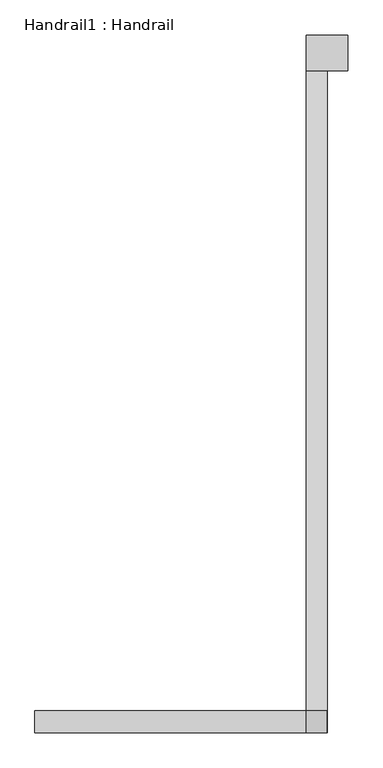
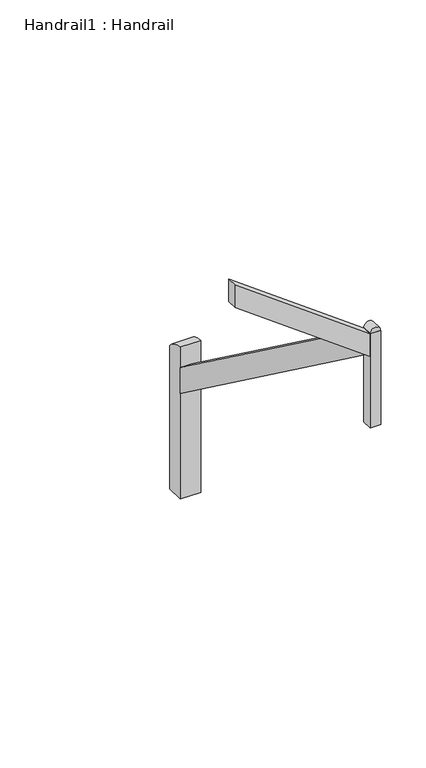
"""IFC4 building model written with IfcOpenShell, lengths in millimetres: railing geometry, Handrail1 : Handrail."""

from ifc_helpers import new_model, si_unit, point, frame, frame_2d, origin, place, context, project, spatial, polyline, circle_curve, trimmed, segment, composite_curve, outline, extrude, source, transform, mapped, element, save


def handrail1_handrail_ebb25094(model_context):
    return source(origin(), model_context, "Body", "SweptSolid", [
        extrude(outline(composite_curve([segment(polyline([(2794.0, 978.5234174), (2794.0, 1056.0759898)]), True, "CONTINUOUS"), segment(trimmed(circle_curve(frame_2d((2794.0, 1017.2997036)), 38.7762862), [point((2794.0, 1056.0759898))], [point((2794.0, 978.5234174))], False, "CARTESIAN"), True, "CONTINUOUS")], self_intersect=False)), frame((0.0, 999.6113324, 0.0), z_axis=(0.0, 1.0, 0.0), x_axis=(0.0, 0.0, 1.0)), (0.0, 0.0, 1.0), 81.5195133),
        extrude(outline(polyline([(3529.7741701, -28.6153689), (3353.062266, -28.6153689), (2614.520908, 978.4864829), (2791.1868493, 978.5491594), (3529.7741701, -28.6153689)])), frame((0.0, 999.6113324, 0.0), z_axis=(0.0, 1.0, 0.0), x_axis=(0.0, 0.0, 1.0)), (0.0, 0.0, 1.0), 81.5195133),
        extrude(outline(polyline([(1056.7743925, 1081.1308457), (1056.7743925, 999.6113324), (978.5234174, 999.6113324), (978.5234174, 1081.1308457), (1056.7743925, 1081.1308457)])), frame((0.0, 0.0, 2048.9333333), z_axis=(0.0, 0.0, 1.0), x_axis=(1.0, 0.0, 0.0)), (0.0, 0.0, 1.0), 745.0666667),
        extrude(outline(polyline([(1081.1308457, 2779.3215575), (3457.8579214, 1036.3883687), (3457.8579214, 833.1883687), (1081.1308457, 2576.1215575), (1081.1308457, 2779.3215575)])), frame((978.5234174, 0.0, 0.0), z_axis=(1.0, 0.0, 0.0), x_axis=(0.0, 1.0, 0.0)), (0.0, 0.0, 1.0), 78.2509751),
        extrude(outline(composite_curve([segment(polyline([(3590.6368557, 1131.990771), (3590.6368557, -3.9072535), (3457.8579214, -2.0182962), (3457.8579214, 1197.4325344)]), True, "CONTINUOUS"), segment(trimmed(circle_curve(frame_2d((3450.1371659, 1014.3447329)), 183.25052), [point((3457.8579214, 1197.4325344))], [point((3590.6368557, 1131.990771))], False, "CARTESIAN"), True, "CONTINUOUS")], self_intersect=False)), frame((978.5234174, 0.0, 0.0), z_axis=(1.0, 0.0, 0.0), x_axis=(0.0, 1.0, 0.0)), (0.0, 0.0, 1.0), 154.4509751),
    ])


if __name__ == "__main__":
    model = new_model("IFC4")
    model_context = context("Model", 3, world=origin())
    ifc_project = project(units=[si_unit("LENGTHUNIT", "METRE", prefix="MILLI")], contexts=[model_context])
    site = spatial("IfcSite", under=ifc_project)
    building = spatial("IfcBuilding", under=site)
    placement = place(None, origin())
    handrail1_handrail_shape = handrail1_handrail_ebb25094(model_context)
    element("IfcRailing", 1, ObjectType="Handrail1 : Handrail", at=placement, inside=building, context=model_context, shape_type="MappedRepresentation", body=[
        mapped(handrail1_handrail_shape, transform((0.0, 0.0, 0.0), x_axis=(1.0, 0.0, 0.0), y_axis=(0.0, 1.0, 0.0), z_axis=(0.0, 0.0, 1.0))),
    ])
    save(model, "model.ifc")
